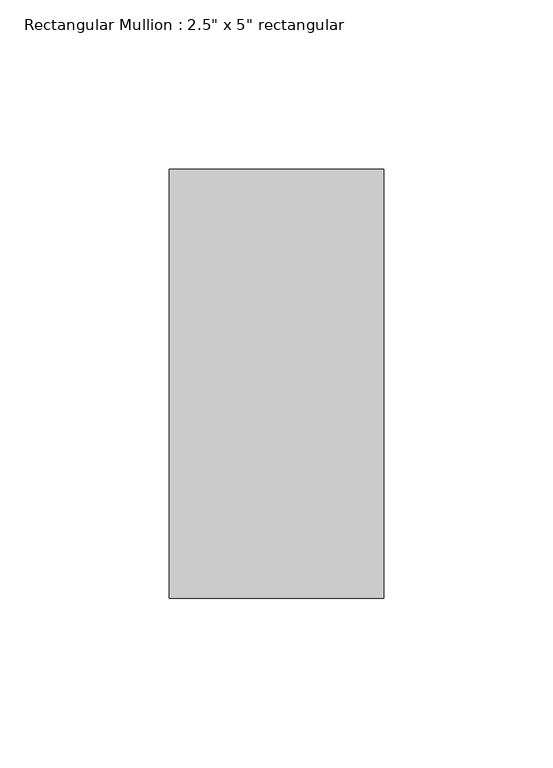
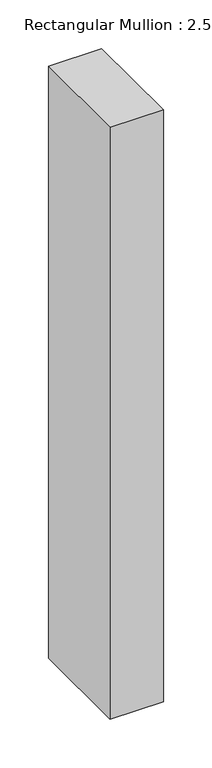
"""IFC4 building model written with IfcOpenShell, lengths in millimetres: member geometry."""

from ifc_helpers import new_model, si_unit, frame, origin, place, context, project, spatial, polyline, outline, extrude, source, transform, mapped, element, save


def member_a175db55(model_context):
    return source(origin(), model_context, "Body", "SweptSolid", [
        extrude(outline(polyline([(0.0, 63.5), (0.0, -63.5), (-63.5, -63.5), (-63.5, 63.5), (0.0, 63.5)])), frame((0.0, 0.0, -744.5375), z_axis=(0.0, 0.0, 1.0), x_axis=(1.0, 0.0, 0.0)), (0.0, 0.0, 1.0), 744.5375),
    ])


if __name__ == "__main__":
    model = new_model("IFC4")
    model_context = context("Model", 3, world=origin())
    ifc_project = project(units=[si_unit("LENGTHUNIT", "METRE", prefix="MILLI")], contexts=[model_context])
    site = spatial("IfcSite", under=ifc_project)
    building = spatial("IfcBuilding", under=site)
    placement = place(None, origin())
    member_shape = member_a175db55(model_context)
    element("IfcMember", 1, ObjectType="Rectangular Mullion : 2.5\" x 5\" rectangular", at=placement, inside=building, context=model_context, shape_type="MappedRepresentation", body=[
        mapped(member_shape, transform((0.0, 0.0, 0.0), x_axis=(1.0, 0.0, 0.0), y_axis=(0.0, 1.0, 0.0), z_axis=(0.0, 0.0, 1.0))),
    ])
    save(model, "model.ifc")
